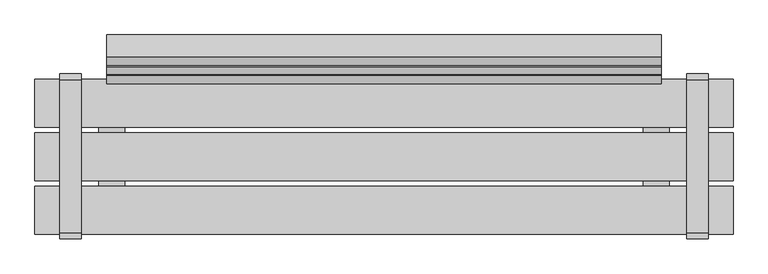
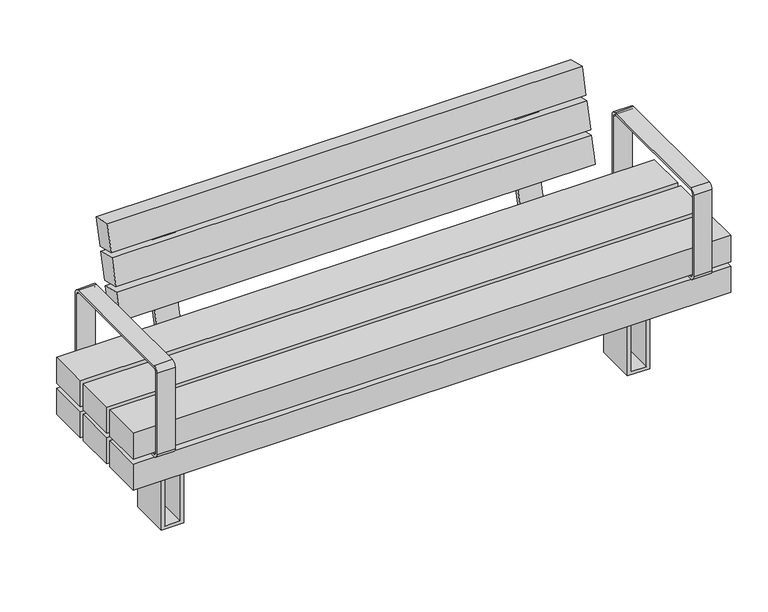
"""IFC4 building model written with IfcOpenShell, lengths in millimetres: furniture geometry."""

from ifc_helpers import new_model, si_unit, point, frame, frame_2d, origin, place, context, project, spatial, polyline, circle_curve, trimmed, segment, composite_curve, outline, extrude, source, transform, mapped, element, save


def furniture_0f891943(model_context):
    return source(origin(), model_context, "Body", "SweptSolid", [
        extrude(outline(composite_curve([segment(polyline([(198.4124417, 351.8217453), (-196.5875583, 351.8217453)]), True, "CONTINUOUS"), segment(trimmed(circle_curve(frame_2d((-196.5875583, 366.8217453)), 15.0), [point((-196.5875583, 351.8217453))], [point((-211.5875583, 366.8217453))], False, "CARTESIAN"), True, "CONTINUOUS"), segment(polyline([(-211.5875583, 366.8217453), (-211.5875583, 626.8217453)]), True, "CONTINUOUS"), segment(trimmed(circle_curve(frame_2d((-196.5875583, 626.8217453)), 15.0), [point((-211.5875583, 626.8217453))], [point((-196.5875583, 641.8217453))], False, "CARTESIAN"), True, "CONTINUOUS"), segment(polyline([(-196.5875583, 641.8217453), (198.4124417, 641.8217453)]), True, "CONTINUOUS"), segment(trimmed(circle_curve(frame_2d((198.4124417, 626.8217453)), 15.0), [point((198.4124417, 641.8217453))], [point((213.4124417, 626.8217453))], False, "CARTESIAN"), True, "CONTINUOUS"), segment(polyline([(213.4124417, 626.8217453), (213.4124417, 366.8217453)]), True, "CONTINUOUS"), segment(trimmed(circle_curve(frame_2d((198.4124417, 366.8217453)), 15.0), [point((213.4124417, 366.8217453))], [point((198.4124417, 351.8217453))], False, "CARTESIAN"), True, "CONTINUOUS")], self_intersect=False), holes=[composite_curve([segment(trimmed(circle_curve(frame_2d((-196.5875583, 366.8217453)), 6.5), [point((-203.0875583, 366.8217453))], [point((-196.5875583, 360.3217453))], True, "CARTESIAN"), True, "CONTINUOUS"), segment(polyline([(-196.5875583, 360.3217453), (198.4124417, 360.3217453)]), True, "CONTINUOUS"), segment(trimmed(circle_curve(frame_2d((198.4124417, 366.8217453)), 6.5), [point((198.4124417, 360.3217453))], [point((204.9124417, 366.8217453))], True, "CARTESIAN"), True, "CONTINUOUS"), segment(polyline([(204.9124417, 366.8217453), (204.9124417, 626.8217453)]), True, "CONTINUOUS"), segment(trimmed(circle_curve(frame_2d((198.4124417, 626.8217453)), 6.5), [point((204.9124417, 626.8217453))], [point((198.4124417, 633.3217453))], True, "CARTESIAN"), True, "CONTINUOUS"), segment(polyline([(198.4124417, 633.3217453), (-196.5875583, 633.3217453)]), True, "CONTINUOUS"), segment(trimmed(circle_curve(frame_2d((-196.5875583, 626.8217453)), 6.5), [point((-196.5875583, 633.3217453))], [point((-203.0875583, 626.8217453))], True, "CARTESIAN"), True, "CONTINUOUS"), segment(polyline([(-203.0875583, 626.8217453), (-203.0875583, 366.8217453)]), True, "CONTINUOUS")], self_intersect=False)]), frame((-836.1291871, 0.0, 0.0), z_axis=(1.0, 0.0, 0.0), x_axis=(0.0, 1.0, 0.0)), (0.0, 0.0, 1.0), 55.0),
        extrude(outline(polyline([(351.8217453, 900.0000373), (351.8217453, -900.0), (268.7167987, -900.0), (268.7167987, 900.0000373), (351.8217453, 900.0000373)]), holes=[polyline([(339.8217453, -888.0), (339.8217453, 888.0), (280.7167987, 888.0), (280.7167987, -888.0), (339.8217453, -888.0)])]), frame((0.0, -61.5000218, 0.0), z_axis=(0.0, 1.0, 0.0), x_axis=(0.0, 0.0, 1.0)), (0.0, 0.0, 1.0), 123.0000435),
        extrude(outline(polyline([(258.7167987, 618.4244034), (258.7167987, 668.4244034), (0.0, 668.4244034), (0.0, 735.4649994), (258.7167987, 735.4649994), (258.7167987, 785.4649994), (268.7167987, 785.4649994), (268.7167987, 725.4649994), (10.0, 725.4649994), (10.0, 678.4244034), (268.7167987, 678.4244034), (268.7167987, 618.4244034), (258.7167987, 618.4244034)])), frame((0.0, -61.5083224, 0.0), z_axis=(0.0, 1.0, 0.0), x_axis=(0.0, 0.0, 1.0)), (0.0, 0.0, 1.0), 123.0166879),
        extrude(outline(polyline([(258.7167987, -785.6380966), (258.7167987, -735.6380966), (0.0, -735.6380966), (0.0, -668.5975006), (258.7167987, -668.5975006), (258.7167987, -618.5975006), (268.7167987, -618.5975006), (268.7167987, -678.5975006), (10.0, -678.5975006), (10.0, -725.6380966), (268.7167987, -725.6380966), (268.7167987, -785.6380966), (258.7167987, -785.6380966)])), frame((0.0, -61.5083224, 0.0), z_axis=(0.0, 1.0, 0.0), x_axis=(0.0, 0.0, 1.0)), (0.0, 0.0, 1.0), 123.0166879),
        extrude(outline(composite_curve([segment(polyline([(198.4124417, 351.8217453), (-196.5875583, 351.8217453)]), True, "CONTINUOUS"), segment(trimmed(circle_curve(frame_2d((-196.5875583, 366.8217453)), 15.0), [point((-196.5875583, 351.8217453))], [point((-211.5875583, 366.8217453))], False, "CARTESIAN"), True, "CONTINUOUS"), segment(polyline([(-211.5875583, 366.8217453), (-211.5875583, 626.8217453)]), True, "CONTINUOUS"), segment(trimmed(circle_curve(frame_2d((-196.5875583, 626.8217453)), 15.0), [point((-211.5875583, 626.8217453))], [point((-196.5875583, 641.8217453))], False, "CARTESIAN"), True, "CONTINUOUS"), segment(polyline([(-196.5875583, 641.8217453), (198.4124417, 641.8217453)]), True, "CONTINUOUS"), segment(trimmed(circle_curve(frame_2d((198.4124417, 626.8217453)), 15.0), [point((198.4124417, 641.8217453))], [point((213.4124417, 626.8217453))], False, "CARTESIAN"), True, "CONTINUOUS"), segment(polyline([(213.4124417, 626.8217453), (213.4124417, 366.8217453)]), True, "CONTINUOUS"), segment(trimmed(circle_curve(frame_2d((198.4124417, 366.8217453)), 15.0), [point((213.4124417, 366.8217453))], [point((198.4124417, 351.8217453))], False, "CARTESIAN"), True, "CONTINUOUS")], self_intersect=False), holes=[composite_curve([segment(trimmed(circle_curve(frame_2d((-196.5875583, 366.8217453)), 6.5), [point((-203.0875583, 366.8217453))], [point((-196.5875583, 360.3217453))], True, "CARTESIAN"), True, "CONTINUOUS"), segment(polyline([(-196.5875583, 360.3217453), (198.4124417, 360.3217453)]), True, "CONTINUOUS"), segment(trimmed(circle_curve(frame_2d((198.4124417, 366.8217453)), 6.5), [point((198.4124417, 360.3217453))], [point((204.9124417, 366.8217453))], True, "CARTESIAN"), True, "CONTINUOUS"), segment(polyline([(204.9124417, 366.8217453), (204.9124417, 626.8217453)]), True, "CONTINUOUS"), segment(trimmed(circle_curve(frame_2d((198.4124417, 626.8217453)), 6.5), [point((204.9124417, 626.8217453))], [point((198.4124417, 633.3217453))], True, "CARTESIAN"), True, "CONTINUOUS"), segment(polyline([(198.4124417, 633.3217453), (-196.5875583, 633.3217453)]), True, "CONTINUOUS"), segment(trimmed(circle_curve(frame_2d((-196.5875583, 626.8217453)), 6.5), [point((-196.5875583, 633.3217453))], [point((-203.0875583, 626.8217453))], True, "CARTESIAN"), True, "CONTINUOUS"), segment(polyline([(-203.0875583, 626.8217453), (-203.0875583, 366.8217453)]), True, "CONTINUOUS")], self_intersect=False)]), frame((781.1291871, 0.0, 0.0), z_axis=(1.0, 0.0, 0.0), x_axis=(0.0, 1.0, 0.0)), (0.0, 0.0, 1.0), 55.0),
        extrude(outline(composite_curve([segment(polyline([(301.7676975, 665.0239384), (227.7235932, 368.0492568)]), True, "CONTINUOUS"), segment(trimmed(circle_curve(frame_2d((206.9533257, 373.2278661)), 21.4061208), [point((227.7235932, 368.0492568))], [point((206.9533257, 351.8217453))], False, "CARTESIAN"), True, "CONTINUOUS"), segment(polyline([(206.9533257, 351.8217453), (76.4999782, 351.8217453), (76.4999782, 366.8258682), (207.2227467, 366.8258682)]), True, "CONTINUOUS"), segment(trimmed(circle_curve(frame_2d((207.2227467, 376.8258682)), 10.0), [point((207.2227467, 366.8258682))], [point((216.925704, 374.4066493))], True, "CARTESIAN"), True, "CONTINUOUS"), segment(polyline([(216.925704, 374.4066493), (290.8352259, 670.8415506), (252.7658072, 680.3333227), (255.6688699, 691.9768714), (290.84209, 683.2072027)]), True, "CONTINUOUS"), segment(trimmed(circle_curve(frame_2d((287.2132616, 668.6527668)), 15.0), [point((290.84209, 683.2072027))], [point((301.7676975, 665.0239384))], False, "CARTESIAN"), True, "CONTINUOUS")], self_intersect=False)), frame((-582.1768452, 0.0, 0.0), z_axis=(1.0, 0.0, 0.0), x_axis=(0.0, 1.0, 0.0)), (0.0, 0.0, 1.0), 70.0),
        extrude(outline(composite_curve([segment(polyline([(301.7676975, 665.0239384), (227.7235932, 368.0492568)]), True, "CONTINUOUS"), segment(trimmed(circle_curve(frame_2d((206.9533257, 373.2278661)), 21.4061208), [point((227.7235932, 368.0492568))], [point((206.9533257, 351.8217453))], False, "CARTESIAN"), True, "CONTINUOUS"), segment(polyline([(206.9533257, 351.8217453), (76.4999782, 351.8217453), (76.4999782, 366.8258682), (207.2227467, 366.8258682)]), True, "CONTINUOUS"), segment(trimmed(circle_curve(frame_2d((207.2227467, 376.8258682)), 10.0), [point((207.2227467, 366.8258682))], [point((216.925704, 374.4066493))], True, "CARTESIAN"), True, "CONTINUOUS"), segment(polyline([(216.925704, 374.4066493), (290.8352259, 670.8415506), (252.7658072, 680.3333227), (255.6688699, 691.9768714), (290.84209, 683.2072027)]), True, "CONTINUOUS"), segment(trimmed(circle_curve(frame_2d((287.2132616, 668.6527668)), 15.0), [point((290.84209, 683.2072027))], [point((301.7676975, 665.0239384))], False, "CARTESIAN"), True, "CONTINUOUS")], self_intersect=False)), frame((512.1769562, 0.0, 0.0), z_axis=(1.0, 0.0, 0.0), x_axis=(0.0, 1.0, 0.0)), (0.0, 0.0, 1.0), 70.0),
        extrude(outline(polyline([(0.0, -60.0), (0.0, 0.0), (1430.0000015, 0.0), (1430.0000015, -60.0), (0.0, -60.0)])), frame((715.0000752, 188.1106519, 506.8497082), z_axis=(0.0, 0.24226794219074058, 0.9702093816216497), x_axis=(-1.0, 0.0, 0.0)), (0.0, 0.0, 1.0), 82.9016978),
        extrude(outline(polyline([(0.0, -60.0), (0.0, 0.0), (1430.0000015, 0.0), (1430.0000015, -60.0), (0.0, -60.0)])), frame((715.0000752, 211.8519257, 601.9262847), z_axis=(0.0, 0.24226794219074002, 0.9702093816216498), x_axis=(-1.0, 0.0, 0.0)), (0.0, 0.0, 1.0), 82.9016978),
        extrude(outline(polyline([(0.0, -60.0), (0.0, 0.0), (1430.0000015, 0.0), (1430.0000015, -60.0), (0.0, -60.0)])), frame((715.0000752, 235.5883657, 696.9835034), z_axis=(0.0, 0.24226794219073886, 0.9702093816216503), x_axis=(-1.0, 0.0, 0.0)), (0.0, 0.0, 1.0), 82.9016978),
        extrude(outline(polyline([(900.0, -76.5174894), (900.0, -199.5174894), (-900.0, -199.5174894), (-900.0, -76.5174894), (900.0, -76.5174894)])), frame((0.0, 0.0, 366.8258682), z_axis=(0.0, 0.0, 1.0), x_axis=(1.0, 0.0, 0.0)), (0.0, 0.0, 1.0), 83.1049466),
        extrude(outline(polyline([(900.0, 61.4888479), (900.0, -61.5111521), (-900.0, -61.5111521), (-900.0, 61.4888479), (900.0, 61.4888479)])), frame((0.0, 0.0, 366.8258682), z_axis=(0.0, 0.0, 1.0), x_axis=(1.0, 0.0, 0.0)), (0.0, 0.0, 1.0), 83.1049466),
        extrude(outline(polyline([(900.0, 199.4999782), (900.0, 76.4999782), (-900.0, 76.4999782), (-900.0, 199.4999782), (900.0, 199.4999782)])), frame((0.0, 0.0, 366.8258682), z_axis=(0.0, 0.0, 1.0), x_axis=(1.0, 0.0, 0.0)), (0.0, 0.0, 1.0), 83.1049466),
        extrude(outline(polyline([(900.0, -76.5174894), (900.0, -199.5174894), (-900.0, -199.5174894), (-900.0, -76.5174894), (900.0, -76.5174894)])), frame((0.0, 0.0, 268.7167987), z_axis=(0.0, 0.0, 1.0), x_axis=(1.0, 0.0, 0.0)), (0.0, 0.0, 1.0), 83.1049466),
        extrude(outline(polyline([(900.0, 199.4999782), (900.0, 76.4999782), (-900.0, 76.4999782), (-900.0, 199.4999782), (900.0, 199.4999782)])), frame((0.0, 0.0, 268.7167987), z_axis=(0.0, 0.0, 1.0), x_axis=(1.0, 0.0, 0.0)), (0.0, 0.0, 1.0), 83.1049466),
        extrude(outline(polyline([(735.4649994, -171.2111197), (668.4244034, -171.2111197), (668.4244034, 168.7288553), (735.4649994, 168.7288553), (735.4649994, -171.2111197)])), frame((0.0, 0.0, 351.8217453), z_axis=(0.0, 0.0, 1.0), x_axis=(1.0, 0.0, 0.0)), (0.0, 0.0, 1.0), 15.004123),
        extrude(outline(polyline([(-668.5975006, -171.2111197), (-735.6380966, -171.2111197), (-735.6380966, 168.7288553), (-668.5975006, 168.7288553), (-668.5975006, -171.2111197)])), frame((0.0, 0.0, 351.8217453), z_axis=(0.0, 0.0, 1.0), x_axis=(1.0, 0.0, 0.0)), (0.0, 0.0, 1.0), 15.004123),
    ])


if __name__ == "__main__":
    model = new_model("IFC4")
    model_context = context("Model", 3, world=origin())
    ifc_project = project(units=[si_unit("LENGTHUNIT", "METRE", prefix="MILLI")], contexts=[model_context])
    site = spatial("IfcSite", under=ifc_project)
    building = spatial("IfcBuilding", under=site)
    placement = place(None, origin())
    furniture_shape = furniture_0f891943(model_context)
    element("IfcFurniture", 1, at=placement, inside=building, context=model_context, shape_type="MappedRepresentation", body=[
        mapped(furniture_shape, transform((0.0, 0.0, 0.0), x_axis=(1.0, 0.0, 0.0), y_axis=(0.0, 1.0, 0.0), z_axis=(0.0, 0.0, 1.0))),
    ])
    save(model, "model.ifc")
